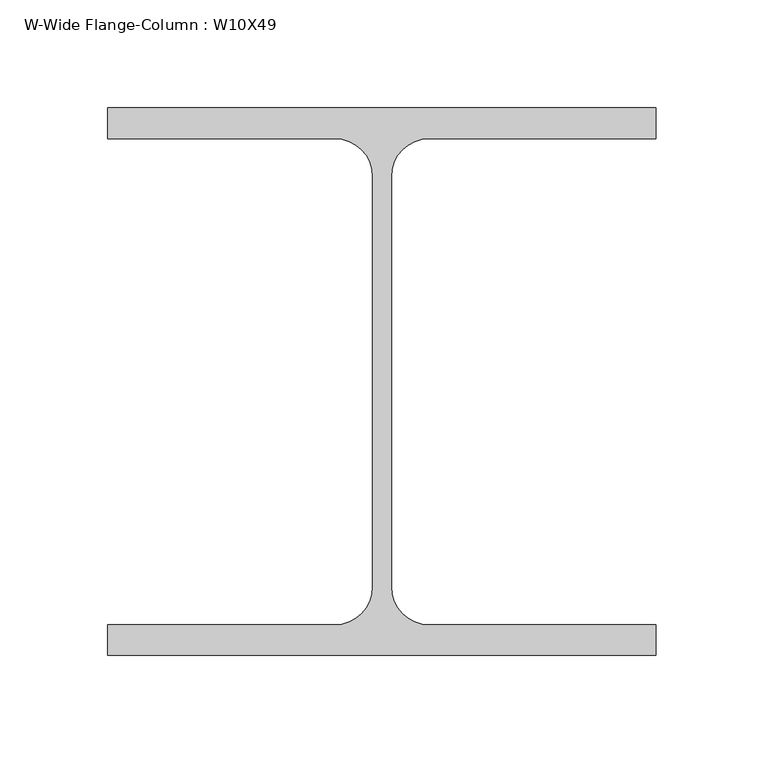
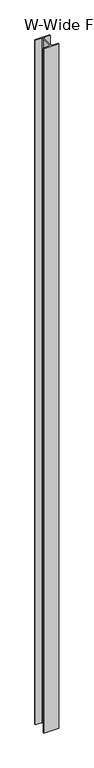
"""IFC4 building model written with IfcOpenShell, lengths in millimetres: column geometry, W-Wide Flange-Column : W10X49."""

from ifc_helpers import new_model, si_unit, point, frame_2d, origin, origin_with_axes, place, context, project, spatial, polyline, circle_curve, trimmed, segment, composite_curve, outline, extrude, source, transform, mapped, element, save


def w_wide_flange_column_w10x49_898811d2(model_context):
    return source(origin(), model_context, "Body", "SweptSolid", [
        extrude(outline(composite_curve([segment(polyline([(127.0, 126.7519531), (127.0, 112.5636719), (21.8777344, 112.5636719)]), True, "CONTINUOUS"), segment(trimmed(circle_curve(frame_2d((21.8777344, 95.0019531)), 17.5617188), [point((21.8777344, 112.5636719))], [point((4.3160156, 95.0019531))], True, "CARTESIAN"), True, "CONTINUOUS"), segment(polyline([(4.3160156, 95.0019531), (4.3160156, -95.0019531)]), True, "CONTINUOUS"), segment(trimmed(circle_curve(frame_2d((21.8777344, -95.0019531)), 17.5617187), [point((4.3160156, -95.0019531))], [point((21.8777344, -112.5636719))], True, "CARTESIAN"), True, "CONTINUOUS"), segment(polyline([(21.8777344, -112.5636719), (127.0, -112.5636719), (127.0, -126.7519531), (-127.0, -126.7519531), (-127.0, -112.5636719), (-21.8777344, -112.5636719)]), True, "CONTINUOUS"), segment(trimmed(circle_curve(frame_2d((-21.8777344, -95.0019531)), 17.5617187), [point((-21.8777344, -112.5636719))], [point((-4.3160156, -95.0019531))], True, "CARTESIAN"), True, "CONTINUOUS"), segment(polyline([(-4.3160156, -95.0019531), (-4.3160156, 95.0019531)]), True, "CONTINUOUS"), segment(trimmed(circle_curve(frame_2d((-21.8777344, 95.0019531)), 17.5617188), [point((-4.3160156, 95.0019531))], [point((-21.8777344, 112.5636719))], True, "CARTESIAN"), True, "CONTINUOUS"), segment(polyline([(-21.8777344, 112.5636719), (-127.0, 112.5636719), (-127.0, 126.7519531), (127.0, 126.7519531)]), True, "CONTINUOUS")], self_intersect=False)), origin_with_axes(), (0.0, 0.0, 1.0), 12192.0),
    ])


if __name__ == "__main__":
    model = new_model("IFC4")
    model_context = context("Model", 3, world=origin())
    ifc_project = project(units=[si_unit("LENGTHUNIT", "METRE", prefix="MILLI")], contexts=[model_context])
    site = spatial("IfcSite", under=ifc_project)
    building = spatial("IfcBuilding", under=site)
    placement = place(None, origin())
    w_wide_flange_column_w10x49_shape = w_wide_flange_column_w10x49_898811d2(model_context)
    element("IfcColumn", 1, ObjectType="W-Wide Flange-Column : W10X49", at=placement, inside=building, context=model_context, shape_type="MappedRepresentation", body=[
        mapped(w_wide_flange_column_w10x49_shape, transform((0.0, 0.0, 0.0), x_axis=(1.0, 0.0, 0.0), y_axis=(0.0, 1.0, 0.0), z_axis=(0.0, 0.0, 1.0))),
    ])
    save(model, "model.ifc")
